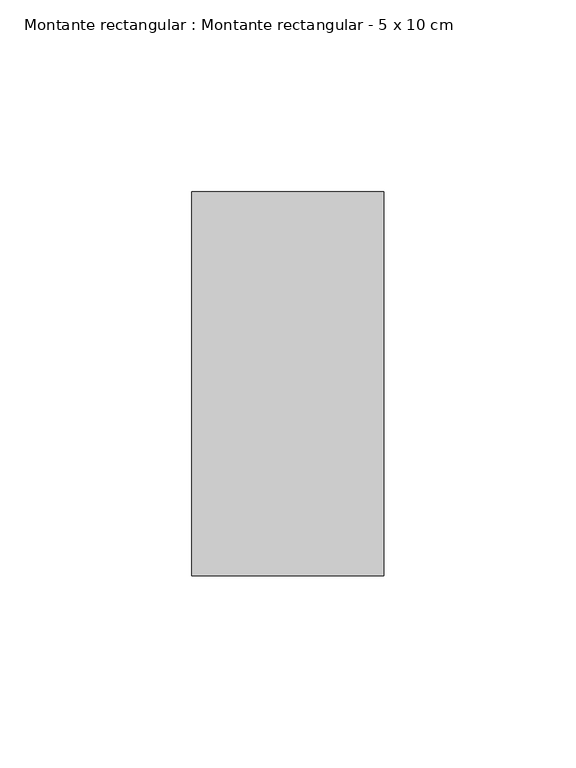
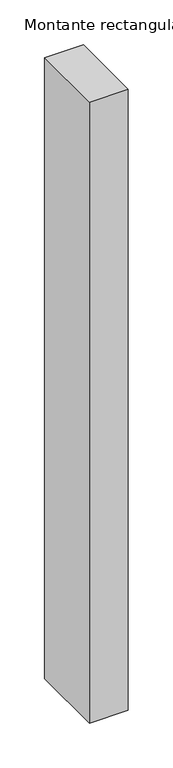
"""IFC4 building model written with IfcOpenShell, lengths in millimetres: member geometry, Montante rectangular : Montante rectangular - 5 x 10 cm."""

from ifc_helpers import new_model, si_unit, frame, origin, place, context, project, spatial, polyline, outline, extrude, source, transform, mapped, element, save


def montante_rectangular_montante_rectangular_5_x_10_cm_f6d0e004(model_context):
    return source(origin(), model_context, "Body", "SweptSolid", [
        extrude(outline(polyline([(-50.0, -50.0), (-50.0, 50.0), (0.0, 50.0), (0.0, -50.0), (-50.0, -50.0)])), frame((0.0, 0.0, -847.0), z_axis=(0.0, 0.0, 1.0), x_axis=(1.0, 0.0, 0.0)), (0.0, 0.0, 1.0), 847.0),
    ])


if __name__ == "__main__":
    model = new_model("IFC4")
    model_context = context("Model", 3, world=origin())
    ifc_project = project(units=[si_unit("LENGTHUNIT", "METRE", prefix="MILLI")], contexts=[model_context])
    site = spatial("IfcSite", under=ifc_project)
    building = spatial("IfcBuilding", under=site)
    placement = place(None, origin())
    montante_rectangular_montante_rectangular_5_x_10_cm_shape = montante_rectangular_montante_rectangular_5_x_10_cm_f6d0e004(model_context)
    element("IfcMember", 1, ObjectType="Montante rectangular : Montante rectangular - 5 x 10 cm", at=placement, inside=building, context=model_context, shape_type="MappedRepresentation", body=[
        mapped(montante_rectangular_montante_rectangular_5_x_10_cm_shape, transform((0.0, 0.0, 0.0), x_axis=(1.0, 0.0, 0.0), y_axis=(0.0, 1.0, 0.0), z_axis=(0.0, 0.0, 1.0))),
    ])
    save(model, "model.ifc")
